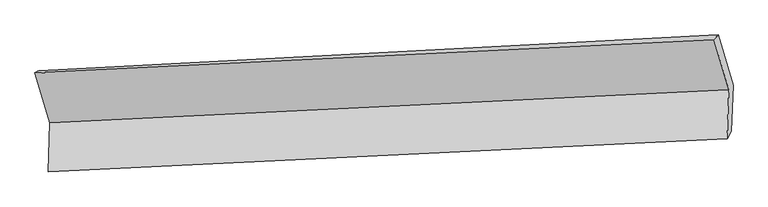
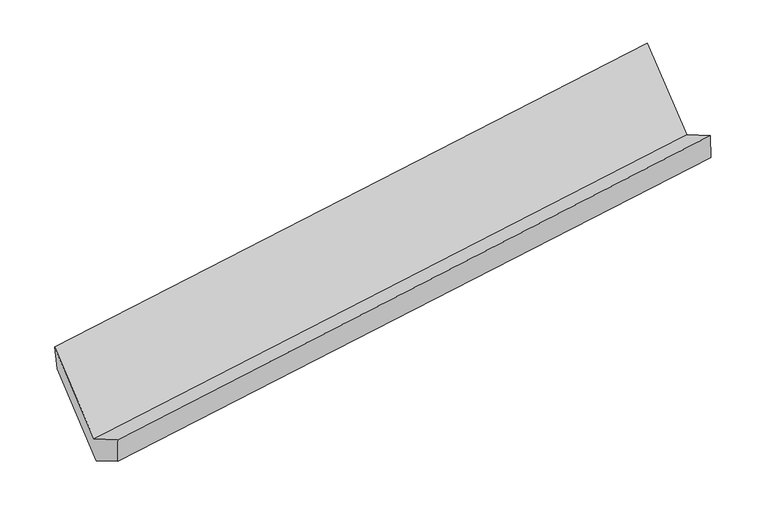
"""IFC4 building model written with IfcOpenShell, lengths in millimetres: proxy geometry."""

from ifc_helpers import new_model, si_unit, frame, origin, place, context, project, spatial, source, transform, mapped, element, save
from ifc_brep_helpers import plane_surface, spline_surface, advanced_brep


def generic_models_809bbedb(model_context):
    return source(origin(), model_context, "Body", "AdvancedBrep", [
        advanced_brep(
        [(-5187.6978514, -1639.6286865, 1425.3710291), (-5200.2030555, -1978.6456084, 1627.9314362), (-498.9893841, -1748.7403447, 2322.453185), (-486.48418, -1409.7234227, 2119.892778), (-5170.2927572, -1928.7315575, 1409.0642459), (-469.0790858, -1698.8262938, 2103.5859948), (-5159.0535193, -1624.0350633, 1227.0100714), (-457.2068648, -1376.9695857, 1911.278704), (-5262.2490314, -1277.2815357, 1800.9861726), (-560.4023769, -1030.2160581, 2485.2548052), (-5290.8933636, -1292.8751588, 1999.3471304), (-589.6796922, -1062.9698951, 2693.8688792)],
        [
            (0, 1),
            (1, 2),
            (2, 3),
            (3, 0),
            (1, 4),
            (4, 5),
            (5, 2),
            (4, 6),
            (6, 7),
            (7, 5),
            (6, 8),
            (8, 9),
            (9, 7),
            (8, 10),
            (10, 11),
            (11, 9),
            (10, 0),
            (3, 11),
        ],
        [
            plane_surface(frame((-5193.9504535, -1809.1371474, 1526.6512326), z_axis=(-0.15002132685643363, 0.5111801111404566, 0.8462792065640428), x_axis=(-0.03164915413464764, -0.8580106933340675, 0.5126558115997067))),
            plane_surface(frame((-5185.2479063, -1953.688583, 1518.497841), z_axis=(0.07887245713830204, -0.9742127892252763, -0.21139672848668734), x_axis=(0.13207150112444543, 0.22039979524583853, -0.9664269495654227))),
            plane_surface(frame((-5164.6731382, -1776.3833104, 1318.0371586), z_axis=(0.150021326856433, -0.5111801111404568, -0.8462792065640428), x_axis=(0.03164915413464778, 0.8580106933340674, -0.512655811599707))),
            plane_surface(frame((-5210.6512754, -1450.6582995, 1513.998122), z_axis=(0.029572785336149543, 0.8579011859416243, -0.5129629670136205), x_axis=(-0.1520979617048789, 0.5110736278113786, 0.8459727873879501))),
            spline_surface(1, 1, [[(-5262.2490314, -1277.2815357, 1800.9861726), (-560.4023769, -1030.2160581, 2485.2548052)], [(-5290.8933636, -1292.8751588, 1999.3471304), (-589.6796922, -1062.9698951, 2693.8688792)]], [2, 2], [2, 2], [0.0, 1.0], [0.0, 1.0]),
            plane_surface(frame((-5239.2956075, -1466.2519226, 1712.3590798), z_axis=(-0.03372538311846047, -0.8581164103409731, 0.5123463914550741), x_axis=(0.1520979617048863, -0.51107362781138, -0.8459727873879479))),
            plane_surface(frame((-510.3069306, -1387.9076, 2272.722391), z_axis=(0.9878585633013356, 0.051199580858699405, 0.1466767255978767), x_axis=(-0.13732993916132527, -0.1536371216455805, 0.9785377471832182))),
            plane_surface(frame((-5211.7315964, -1623.532935, 1581.6183476), z_axis=(-0.9878585633013377, -0.05119958085871884, -0.14667672559785644), x_axis=(-0.1520979617048789, 0.5110736278113786, 0.8459727873879501))),
        ],
        [
            (0, [[1, 2, 3, 4]]),
            (1, [[5, 6, 7, -2]]),
            (2, [[8, 9, 10, -6]]),
            (3, [[11, 12, 13, -9]]),
            (4, [[14, 15, 16, -12]]),
            (5, [[17, -4, 18, -15]]),
            (6, [[-16, -18, -3, -7, -10, -13]]),
            (7, [[-17, -14, -11, -8, -5, -1]]),
        ],
    ),
    ])


if __name__ == "__main__":
    model = new_model("IFC4")
    model_context = context("Model", 3, world=origin())
    ifc_project = project(units=[si_unit("LENGTHUNIT", "METRE", prefix="MILLI")], contexts=[model_context])
    site = spatial("IfcSite", under=ifc_project)
    building = spatial("IfcBuilding", under=site)
    placement = place(None, origin())
    generic_models_shape = generic_models_809bbedb(model_context)
    element("IfcBuildingElementProxy", 1, Name="Generic Models", at=placement, inside=building, context=model_context, shape_type="MappedRepresentation", body=[
        mapped(generic_models_shape, transform((0.0, 0.0, 0.0), x_axis=(1.0, 0.0, 0.0), y_axis=(0.0, 1.0, 0.0), z_axis=(0.0, 0.0, 1.0))),
    ])
    save(model, "model.ifc")
